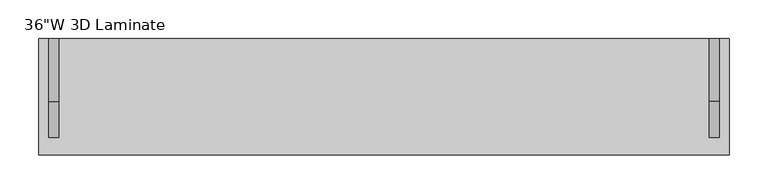
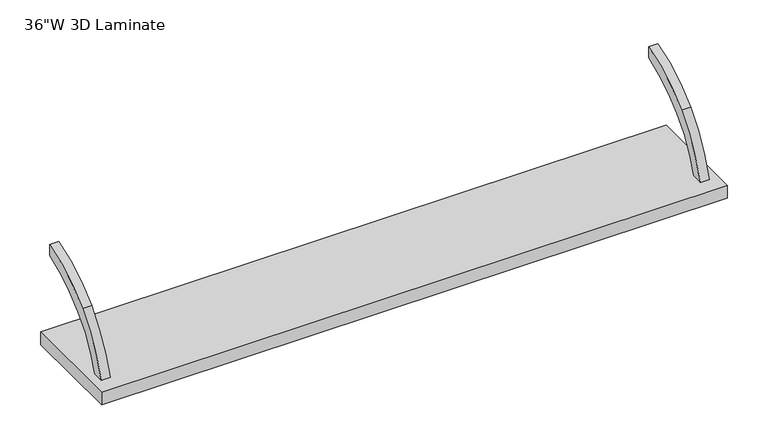
"""IFC4 building model written with IfcOpenShell, lengths in millimetres: furniture geometry."""

from ifc_helpers import new_model, si_unit, point, frame, frame_2d, origin, place, context, project, spatial, polyline, circle_curve, trimmed, segment, composite_curve, outline, extrude, source, transform, mapped, element, save


def furniture_22c6709f(model_context):
    return source(origin(), model_context, "Body", "SweptSolid", [
        extrude(outline(composite_curve([segment(polyline([(-21.75256, 1455.7938619), (-21.75256, 1439.2080334)]), True, "CONTINUOUS"), segment(trimmed(circle_curve(frame_2d((31.2350706, 1269.9332038)), 177.3743412), [point((-21.75256, 1439.2080334))], [point((-91.5649658, 1397.924641))], True, "CARTESIAN"), True, "CONTINUOUS"), segment(trimmed(circle_curve(frame_2d((14.1297346, 1287.761672)), 152.6671197), [point((-91.5649658, 1397.924641))], [point((-132.8646554, 1328.9915))], True, "CARTESIAN"), True, "CONTINUOUS"), segment(polyline([(-132.8646554, 1328.9915), (-149.4341867, 1328.9915)]), True, "CONTINUOUS"), segment(trimmed(circle_curve(frame_2d((41.312225, 1272.180367)), 199.0268786), [point((-149.4341867, 1328.9915))], [point((-102.9422911, 1409.3019663))], False, "CARTESIAN"), True, "CONTINUOUS"), segment(trimmed(circle_curve(frame_2d((15.3556483, 1296.8534754)), 163.2147835), [point((-102.9422911, 1409.3019663))], [point((-21.75256, 1455.7938619))], False, "CARTESIAN"), True, "CONTINUOUS")], self_intersect=False)), frame((437.8663384, 0.0, 0.0), z_axis=(1.0, 0.0, 0.0), x_axis=(0.0, 1.0, 0.0)), (0.0, 0.0, 1.0), 12.7),
        extrude(outline(composite_curve([segment(trimmed(circle_curve(frame_2d((15.3556483, 1296.8534754)), 163.2147835), [point((-102.9422911, 1409.3019663))], [point((-21.75256, 1455.7938619))], False, "CARTESIAN"), True, "CONTINUOUS"), segment(polyline([(-21.75256, 1455.7938619), (-21.75256, 1439.2080334)]), True, "CONTINUOUS"), segment(trimmed(circle_curve(frame_2d((31.2350706, 1269.9332038)), 177.3743412), [point((-21.75256, 1439.2080334))], [point((-91.5649658, 1397.924641))], True, "CARTESIAN"), True, "CONTINUOUS"), segment(trimmed(circle_curve(frame_2d((14.1297346, 1287.761672)), 152.6671197), [point((-91.5649658, 1397.924641))], [point((-132.8646554, 1328.9915))], True, "CARTESIAN"), True, "CONTINUOUS"), segment(polyline([(-132.8646554, 1328.9915), (-149.4341867, 1328.9915)]), True, "CONTINUOUS"), segment(trimmed(circle_curve(frame_2d((41.312225, 1272.180367)), 199.0268786), [point((-149.4341867, 1328.9915))], [point((-102.9422911, 1409.3019663))], False, "CARTESIAN"), True, "CONTINUOUS")], self_intersect=False)), frame((-413.0909286, 0.0, 0.0), z_axis=(1.0, 0.0, 0.0), x_axis=(0.0, 1.0, 0.0)), (0.0, 0.0, 1.0), 12.7),
        extrude(outline(polyline([(463.2377049, -21.75256), (463.2377049, -171.5728725), (-425.7622951, -171.5728725), (-425.7622951, -21.75256), (463.2377049, -21.75256)])), frame((0.0, 0.0, 1309.9422994), z_axis=(0.0, 0.0, 1.0), x_axis=(1.0, 0.0, 0.0)), (0.0, 0.0, 1.0), 19.0492006),
    ])


if __name__ == "__main__":
    model = new_model("IFC4")
    model_context = context("Model", 3, world=origin())
    ifc_project = project(units=[si_unit("LENGTHUNIT", "METRE", prefix="MILLI")], contexts=[model_context])
    site = spatial("IfcSite", under=ifc_project)
    building = spatial("IfcBuilding", under=site)
    placement = place(None, origin())
    furniture_shape = furniture_22c6709f(model_context)
    element("IfcFurniture", 1, ObjectType="36\"W 3D Laminate", at=placement, inside=building, context=model_context, shape_type="MappedRepresentation", body=[
        mapped(furniture_shape, transform((0.0, 0.0, 0.0), x_axis=(1.0, 0.0, 0.0), y_axis=(0.0, 1.0, 0.0), z_axis=(0.0, 0.0, 1.0))),
    ])
    save(model, "model.ifc")
